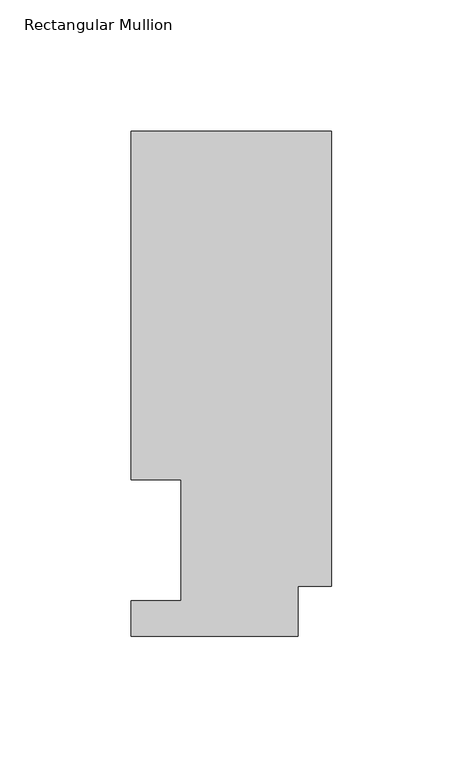
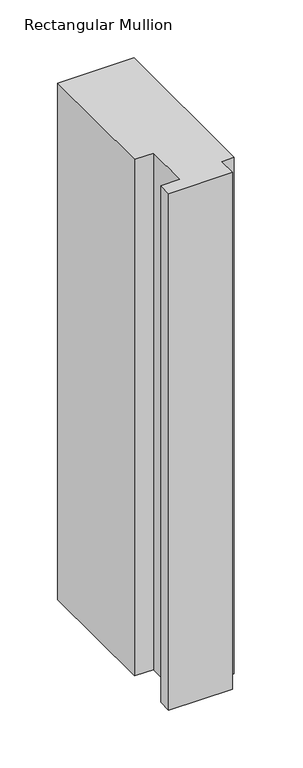
"""IFC4 building model written with IfcOpenShell, lengths in millimetres: member geometry, Rectangular Mullion."""

from ifc_helpers import new_model, si_unit, frame, origin, place, context, project, spatial, polyline, outline, extrude, source, transform, mapped, element, save


def rectangular_mullion_ecb16f31(model_context):
    return source(origin(), model_context, "Body", "SweptSolid", [
        extrude(outline(polyline([(0.0, 192.09385), (0.0, 19.06905), (-12.7, 19.06905), (-12.7, 0.04445), (-76.2, 0.04445), (-76.2, 13.50645), (-57.1627, 13.50645), (-57.1627, 59.53125), (-76.2, 59.53125), (-76.2, 192.09385), (0.0, 192.09385)])), frame((0.0, 0.0, -545.0416667), z_axis=(0.0, 0.0, 1.0), x_axis=(1.0, 0.0, 0.0)), (0.0, 0.0, 1.0), 545.0416667),
    ])


if __name__ == "__main__":
    model = new_model("IFC4")
    model_context = context("Model", 3, world=origin())
    ifc_project = project(units=[si_unit("LENGTHUNIT", "METRE", prefix="MILLI")], contexts=[model_context])
    site = spatial("IfcSite", under=ifc_project)
    building = spatial("IfcBuilding", under=site)
    placement = place(None, origin())
    rectangular_mullion_shape = rectangular_mullion_ecb16f31(model_context)
    element("IfcMember", 1, ObjectType="Rectangular Mullion", at=placement, inside=building, context=model_context, shape_type="MappedRepresentation", body=[
        mapped(rectangular_mullion_shape, transform((0.0, 0.0, 0.0), x_axis=(1.0, 0.0, 0.0), y_axis=(0.0, 1.0, 0.0), z_axis=(0.0, 0.0, 1.0))),
    ])
    save(model, "model.ifc")
